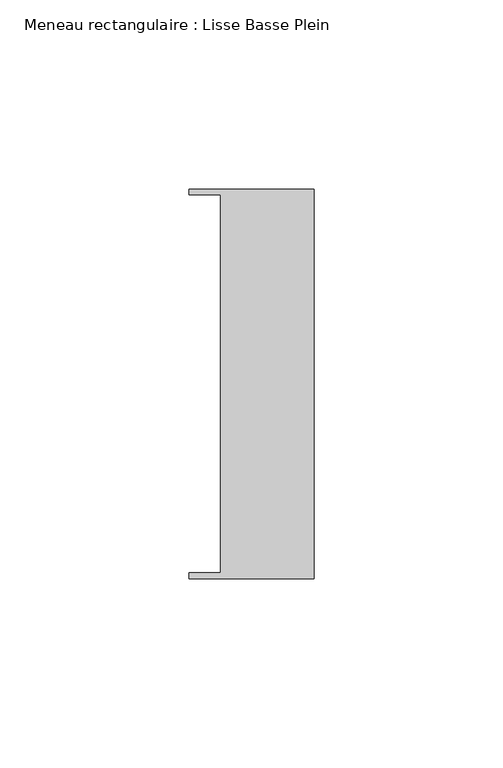
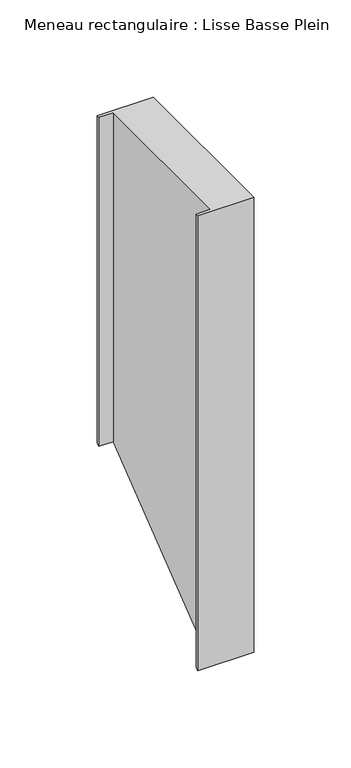
"""IFC4 building model written with IfcOpenShell, lengths in millimetres: member geometry, Meneau rectangulaire : Lisse Basse Plein."""

from ifc_helpers import new_model, si_unit, origin, place, context, project, spatial, faceted_brep, source, transform, mapped, element, save


def meneau_rectangulaire_lisse_basse_plein_89f55fc2(model_context):
    return source(origin(), model_context, "Body", "Brep", [
        faceted_brep([(0.0, -51.5026203, 0.0), (0.0, 51.5026203, 0.0), (-33.0710396, 51.5026203, 0.0), (-33.0710396, 49.9505686, 0.0), (-24.7130865, 49.9505686, 0.0), (-24.7130865, -49.9505686, 0.0), (-33.0710396, -49.9505686, 0.0), (-33.0710396, -51.5026203, 0.0), (0.0, -51.5026203, -285.1565427), (0.0, 51.5026203, -204.8413731), (-33.0710396, 51.5026203, -204.8413731), (-33.0710396, 49.9505686, -206.0515376), (-24.7130865, 49.9505686, -206.0515376), (-24.7130865, -49.9505686, -283.9463781), (-33.0710396, -49.9505686, -283.9463781), (-33.0710396, -51.5026203, -285.1565427)], [[[0, 1, 2, 3, 4, 5, 6, 7]], [[1, 0, 8, 9]], [[2, 1, 9, 10]], [[3, 2, 10, 11]], [[4, 3, 11, 12]], [[5, 4, 12, 13]], [[6, 5, 13, 14]], [[7, 6, 14, 15]], [[0, 7, 15, 8]], [[8, 15, 14, 13, 12, 11, 10, 9]]]),
    ])


if __name__ == "__main__":
    model = new_model("IFC4")
    model_context = context("Model", 3, world=origin())
    ifc_project = project(units=[si_unit("LENGTHUNIT", "METRE", prefix="MILLI")], contexts=[model_context])
    site = spatial("IfcSite", under=ifc_project)
    building = spatial("IfcBuilding", under=site)
    placement = place(None, origin())
    meneau_rectangulaire_lisse_basse_plein_shape = meneau_rectangulaire_lisse_basse_plein_89f55fc2(model_context)
    element("IfcMember", 1, ObjectType="Meneau rectangulaire : Lisse Basse Plein", at=placement, inside=building, context=model_context, shape_type="MappedRepresentation", body=[
        mapped(meneau_rectangulaire_lisse_basse_plein_shape, transform((0.0, 0.0, 0.0), x_axis=(1.0, 0.0, 0.0), y_axis=(0.0, 1.0, 0.0), z_axis=(0.0, 0.0, 1.0))),
    ])
    save(model, "model.ifc")
